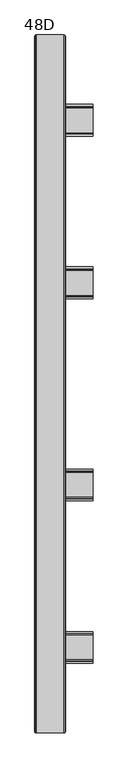
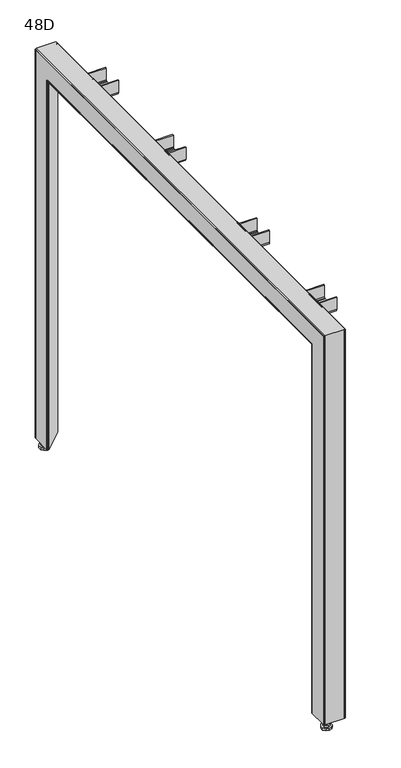
"""IFC4 building model written with IfcOpenShell, lengths in millimetres: furniture geometry, 48D."""

from ifc_helpers import new_model, si_unit, frame, origin, origin_with_axes, place, context, project, spatial, polyline, circle_curve, ellipse_curve, outline, extrude, faceted_brep, source, transform, mapped, element, save
from ifc_brep_helpers import plane_surface, revolved_surface, advanced_brep


def furniture_48d_e2c3fa5f(model_context):
    return source(origin(), model_context, "Body", "SolidModel", [
        faceted_brep([(101.0542779, -147.6850235, 972.2678661), (101.0542779, -147.6850235, 1002.5178365), (101.0542779, -150.6850221, 1002.5178365), (101.0542779, -150.6850221, 972.2678661), (101.0542779, -151.5637112, 970.1464839), (101.0542779, -153.6850206, 969.2678312), (101.0542779, -196.6850122, 969.2678312), (101.0542779, -198.8063217, 970.1464839), (101.0542779, -199.6850108, 972.2678661), (101.0542779, -199.6850108, 1002.5178365), (101.0542779, -202.6850094, 1002.5178365), (101.0542779, -202.6850094, 972.2678661), (101.0542779, -200.9276675, 968.0251745), (101.0542779, -196.6850122, 966.2678689), (101.0542779, -153.6850206, 966.2678689), (101.0542779, -149.4423654, 968.0251745), (2.7542748, -147.6850235, 1010.2678722), (2.7542748, -147.6850235, 972.2678661), (2.7542748, -149.4423654, 968.0251745), (2.7542748, -153.6850206, 966.2678689), (2.7542748, -196.6850122, 966.2678689), (2.7542748, -200.9276675, 968.0251745), (2.7542748, -202.6850094, 972.2678661), (2.7542748, -202.6850094, 1010.2678722), (2.7542748, -199.6850108, 1010.2678722), (2.7542748, -199.6850108, 972.2678661), (2.7542748, -198.8063217, 970.1464839), (2.7542748, -196.6850122, 969.2678312), (2.7542748, -153.6850206, 969.2678312), (2.7542748, -151.5637112, 970.1464839), (2.7542748, -150.6850221, 972.2678661), (2.7542748, -150.6850221, 1010.2678722), (51.5542743, -147.6850235, 1010.2678722), (51.5542743, -147.6850235, 1002.5178365), (51.5542743, -202.6850094, 1002.5178365), (51.5542743, -202.6850094, 1010.2678722), (51.5542743, -199.6850108, 1010.2678722), (51.5542743, -199.6850108, 1002.5178365), (51.5542743, -150.6850221, 1002.5178365), (51.5542743, -150.6850221, 1010.2678722)], [[[0, 1, 2, 3, 4, 5, 6, 7, 8, 9, 10, 11, 12, 13, 14, 15]], [[16, 17, 18, 19, 20, 21, 22, 23, 24, 25, 26, 27, 28, 29, 30, 31]], [[16, 32, 33, 1, 0, 17]], [[15, 18, 17, 0]], [[14, 19, 18, 15]], [[13, 20, 19, 14]], [[12, 21, 20, 13]], [[11, 22, 21, 12]], [[22, 11, 10, 34, 35, 23]], [[23, 35, 36, 24]], [[24, 36, 37, 9, 8, 25]], [[7, 26, 25, 8]], [[6, 27, 26, 7]], [[5, 28, 27, 6]], [[4, 29, 28, 5]], [[3, 30, 29, 4]], [[30, 3, 2, 38, 39, 31]], [[31, 39, 32, 16]], [[34, 10, 9, 37]], [[38, 2, 1, 33]], [[33, 32, 39, 38]], [[37, 36, 35, 34]]]),
        faceted_brep([(101.0542779, -429.00262, 972.2678661), (101.0542779, -429.00262, 1002.5178365), (101.0542779, -432.0026186, 1002.5178365), (101.0542779, -432.0026186, 972.2678661), (101.0542779, -432.8813077, 970.1464839), (101.0542779, -435.0026171, 969.2678312), (101.0542779, -478.0026087, 969.2678312), (101.0542779, -480.1239182, 970.1464839), (101.0542779, -481.0026073, 972.2678661), (101.0542779, -481.0026073, 1002.5178365), (101.0542779, -484.0026059, 1002.5178365), (101.0542779, -484.0026059, 972.2678661), (101.0542779, -482.245264, 968.0251745), (101.0542779, -478.0026087, 966.2678689), (101.0542779, -435.0026171, 966.2678689), (101.0542779, -430.7599619, 968.0251745), (2.7542748, -429.00262, 1010.2678722), (2.7542748, -429.00262, 972.2678661), (2.7542748, -430.7599619, 968.0251745), (2.7542748, -435.0026171, 966.2678689), (2.7542748, -478.0026087, 966.2678689), (2.7542748, -482.245264, 968.0251745), (2.7542748, -484.0026059, 972.2678661), (2.7542748, -484.0026059, 1010.2678722), (2.7542748, -481.0026073, 1010.2678722), (2.7542748, -481.0026073, 972.2678661), (2.7542748, -480.1239182, 970.1464839), (2.7542748, -478.0026087, 969.2678312), (2.7542748, -435.0026171, 969.2678312), (2.7542748, -432.8813077, 970.1464839), (2.7542748, -432.0026186, 972.2678661), (2.7542748, -432.0026186, 1010.2678722), (51.5542743, -429.00262, 1010.2678722), (51.5542743, -429.00262, 1002.5178365), (51.5542743, -484.0026059, 1002.5178365), (51.5542743, -484.0026059, 1010.2678722), (51.5542743, -481.0026073, 1010.2678722), (51.5542743, -481.0026073, 1002.5178365), (51.5542743, -432.0026186, 1002.5178365), (51.5542743, -432.0026186, 1010.2678722)], [[[0, 1, 2, 3, 4, 5, 6, 7, 8, 9, 10, 11, 12, 13, 14, 15]], [[16, 17, 18, 19, 20, 21, 22, 23, 24, 25, 26, 27, 28, 29, 30, 31]], [[16, 32, 33, 1, 0, 17]], [[15, 18, 17, 0]], [[14, 19, 18, 15]], [[13, 20, 19, 14]], [[12, 21, 20, 13]], [[11, 22, 21, 12]], [[22, 11, 10, 34, 35, 23]], [[23, 35, 36, 24]], [[24, 36, 37, 9, 8, 25]], [[7, 26, 25, 8]], [[6, 27, 26, 7]], [[5, 28, 27, 6]], [[4, 29, 28, 5]], [[3, 30, 29, 4]], [[30, 3, 2, 38, 39, 31]], [[31, 39, 32, 16]], [[34, 10, 9, 37]], [[38, 2, 1, 33]], [[33, 32, 39, 38]], [[37, 36, 35, 34]]]),
        faceted_brep([(101.0542779, 147.4950235, 972.2678661), (101.0542779, 149.2523654, 968.0251745), (101.0542779, 153.4950206, 966.2678689), (101.0542779, 196.4950122, 966.2678689), (101.0542779, 200.7376675, 968.0251745), (101.0542779, 202.4950094, 972.2678661), (101.0542779, 202.4950094, 1002.5178365), (101.0542779, 199.4950108, 1002.5178365), (101.0542779, 199.4950108, 972.2678661), (101.0542779, 198.6163217, 970.1464839), (101.0542779, 196.4950122, 969.2678312), (101.0542779, 153.4950206, 969.2678312), (101.0542779, 151.3737112, 970.1464839), (101.0542779, 150.4950221, 972.2678661), (101.0542779, 150.4950221, 1002.5178365), (101.0542779, 147.4950235, 1002.5178365), (2.7542748, 147.4950235, 1010.2678722), (2.7542748, 150.4950221, 1010.2678722), (2.7542748, 150.4950221, 972.2678661), (2.7542748, 151.3737112, 970.1464839), (2.7542748, 153.4950206, 969.2678312), (2.7542748, 196.4950122, 969.2678312), (2.7542748, 198.6163217, 970.1464839), (2.7542748, 199.4950108, 972.2678661), (2.7542748, 199.4950108, 1010.2678722), (2.7542748, 202.4950094, 1010.2678722), (2.7542748, 202.4950094, 972.2678661), (2.7542748, 200.7376675, 968.0251745), (2.7542748, 196.4950122, 966.2678689), (2.7542748, 153.4950206, 966.2678689), (2.7542748, 149.2523654, 968.0251745), (2.7542748, 147.4950235, 972.2678661), (51.5542743, 147.4950235, 1002.5178365), (51.5542743, 147.4950235, 1010.2678722), (51.5542743, 202.4950094, 1010.2678722), (51.5542743, 202.4950094, 1002.5178365), (51.5542743, 199.4950108, 1010.2678722), (51.5542743, 199.4950108, 1002.5178365), (51.5542743, 150.4950221, 1010.2678722), (51.5542743, 150.4950221, 1002.5178365)], [[[0, 1, 2, 3, 4, 5, 6, 7, 8, 9, 10, 11, 12, 13, 14, 15]], [[16, 17, 18, 19, 20, 21, 22, 23, 24, 25, 26, 27, 28, 29, 30, 31]], [[16, 31, 0, 15, 32, 33]], [[1, 0, 31, 30]], [[2, 1, 30, 29]], [[3, 2, 29, 28]], [[4, 3, 28, 27]], [[5, 4, 27, 26]], [[26, 25, 34, 35, 6, 5]], [[25, 24, 36, 34]], [[24, 23, 8, 7, 37, 36]], [[9, 8, 23, 22]], [[10, 9, 22, 21]], [[11, 10, 21, 20]], [[12, 11, 20, 19]], [[13, 12, 19, 18]], [[18, 17, 38, 39, 14, 13]], [[17, 16, 33, 38]], [[35, 37, 7, 6]], [[39, 32, 15, 14]], [[37, 35, 34, 36]], [[32, 39, 38, 33]]]),
        faceted_brep([(101.0542779, 429.0250913, 972.2678661), (101.0542779, 430.7824332, 968.0251745), (101.0542779, 435.0250885, 966.2678689), (101.0542779, 478.0250801, 966.2678689), (101.0542779, 482.2677353, 968.0251745), (101.0542779, 484.0250772, 972.2678661), (101.0542779, 484.0250772, 1002.5178365), (101.0542779, 481.0250786, 1002.5178365), (101.0542779, 481.0250786, 972.2678661), (101.0542779, 480.1463895, 970.1464839), (101.0542779, 478.0250801, 969.2678312), (101.0542779, 435.0250885, 969.2678312), (101.0542779, 432.903779, 970.1464839), (101.0542779, 432.0250899, 972.2678661), (101.0542779, 432.0250899, 1002.5178365), (101.0542779, 429.0250913, 1002.5178365), (2.7542748, 429.0250913, 1010.2678722), (2.7542748, 432.0250899, 1010.2678722), (2.7542748, 432.0250899, 972.2678661), (2.7542748, 432.903779, 970.1464839), (2.7542748, 435.0250885, 969.2678312), (2.7542748, 478.0250801, 969.2678312), (2.7542748, 480.1463895, 970.1464839), (2.7542748, 481.0250786, 972.2678661), (2.7542748, 481.0250786, 1010.2678722), (2.7542748, 484.0250772, 1010.2678722), (2.7542748, 484.0250772, 972.2678661), (2.7542748, 482.2677353, 968.0251745), (2.7542748, 478.0250801, 966.2678689), (2.7542748, 435.0250885, 966.2678689), (2.7542748, 430.7824332, 968.0251745), (2.7542748, 429.0250913, 972.2678661), (51.5542743, 429.0250913, 1002.5178365), (51.5542743, 429.0250913, 1010.2678722), (51.5542743, 484.0250772, 1010.2678722), (51.5542743, 484.0250772, 1002.5178365), (51.5542743, 481.0250786, 1010.2678722), (51.5542743, 481.0250786, 1002.5178365), (51.5542743, 432.0250899, 1010.2678722), (51.5542743, 432.0250899, 1002.5178365)], [[[0, 1, 2, 3, 4, 5, 6, 7, 8, 9, 10, 11, 12, 13, 14, 15]], [[16, 17, 18, 19, 20, 21, 22, 23, 24, 25, 26, 27, 28, 29, 30, 31]], [[16, 31, 0, 15, 32, 33]], [[1, 0, 31, 30]], [[2, 1, 30, 29]], [[3, 2, 29, 28]], [[4, 3, 28, 27]], [[5, 4, 27, 26]], [[26, 25, 34, 35, 6, 5]], [[25, 24, 36, 34]], [[24, 23, 8, 7, 37, 36]], [[9, 8, 23, 22]], [[10, 9, 22, 21]], [[11, 10, 21, 20]], [[12, 11, 20, 19]], [[13, 12, 19, 18]], [[18, 17, 38, 39, 14, 13]], [[17, 16, 33, 38]], [[35, 37, 7, 6]], [[39, 32, 15, 14]], [[37, 35, 34, 36]], [[32, 39, 38, 33]]]),
        extrude(outline(polyline([(14.8468925, -593.8721484), (11.4098541, -591.8877764), (11.4098541, -587.9190234), (14.8468925, -585.9346514), (18.2839309, -587.9190234), (18.2839309, -591.8877764), (14.8468925, -593.8721484)])), frame((0.0, 0.0, 10.9000001), z_axis=(0.0, 0.0, 1.0), x_axis=(1.0, 0.0, 0.0)), (0.0, 0.0, 1.0), 62.0000015),
        extrude(outline(polyline([(14.8468925, -597.8433994), (7.9706509, -593.8733974), (7.9706509, -585.9333979), (14.8468925, -581.9634004), (21.723134, -585.9333979), (21.723134, -593.8733974), (14.8468925, -597.8433994)])), frame((0.0, 0.0, 5.7200003), z_axis=(0.0, 0.0, 1.0), x_axis=(1.0, 0.0, 0.0)), (0.0, 0.0, 1.0), 5.1799998),
        extrude(outline(polyline([(7.6072397, -599.8679261), (3.1328886, -593.7095084), (3.1328886, -586.0972868), (7.6072397, -579.9388737), (14.8468925, -577.586569), (22.0865453, -579.9388737), (26.5608963, -586.0972868), (26.5608963, -593.7095084), (22.0865453, -599.8679261), (14.8468925, -602.220233), (7.6072397, -599.8679261)])), origin_with_axes(), (0.0, 0.0, 1.0), 5.7200003),
        extrude(outline(polyline([(14.8468925, 593.6821484), (18.2839309, 591.6977764), (18.2839309, 587.7290234), (14.8468925, 585.7446514), (11.4098541, 587.7290234), (11.4098541, 591.6977764), (14.8468925, 593.6821484)])), frame((0.0, 0.0, 10.9000001), z_axis=(0.0, 0.0, 1.0), x_axis=(1.0, 0.0, 0.0)), (0.0, 0.0, 1.0), 62.0000015),
        extrude(outline(polyline([(14.8468925, 597.6533994), (21.723134, 593.6833974), (21.723134, 585.7433979), (14.8468925, 581.7734004), (7.9706509, 585.7433979), (7.9706509, 593.6833974), (14.8468925, 597.6533994)])), frame((0.0, 0.0, 5.7200003), z_axis=(0.0, 0.0, 1.0), x_axis=(1.0, 0.0, 0.0)), (0.0, 0.0, 1.0), 5.1799998),
        extrude(outline(polyline([(7.6072397, 599.6779261), (14.8468925, 602.030233), (22.0865453, 599.6779261), (26.5608963, 593.5195084), (26.5608963, 585.9072868), (22.0865453, 579.7488737), (14.8468925, 577.396569), (7.6072397, 579.7488737), (3.1328886, 585.9072868), (3.1328886, 593.5195084), (7.6072397, 599.6779261)])), origin_with_axes(), (0.0, 0.0, 1.0), 5.7200003),
        advanced_brep(
        [(52.2091904, 599.8158337, 20.2920801), (4.6091883, 552.2158321, 20.2920801), (2.7, 551.425001, 20.2920801), (0.7908116, 552.2158321, 20.2920801), (0.0, 554.1250179, 20.2920801), (0.0, 601.7250195, 20.2920801), (0.7908116, 603.6342052, 20.2920801), (2.7, 604.425, 20.2920801), (50.3000001, 604.425, 20.2920801), (52.2091904, 603.6342052, 20.2920801), (52.9999988, 601.7250195, 20.2920801), (3.7071069, 554.1321033, 20.2920801), (50.2928863, 600.7179167, 20.2920801), (49.5857835, 602.4250131, 20.2920801), (3.0000115, 602.4250131, 20.2920801), (1.9999999, 601.4250014, 20.2920801), (1.9999999, 554.8392098, 20.2920801), (52.2091904, 599.8158337, 1007.6586564), (4.6091883, 552.2158321, 960.0586549), (2.7, 551.425001, 959.2678238), (0.7908116, 552.2158321, 960.0586549), (0.0, 554.1250179, 961.9678407), (0.0, -554.3150179, 961.9678407), (0.0, -554.3150179, 20.2920801), (0.0, -601.9150195, 20.2920801), (0.0, -601.9150195, 1009.5678422), (0.0, 601.7250195, 1009.5678422), (0.7908116, 603.6342052, 1011.477028), (2.7, 604.425, 1012.2678228), (50.3000001, 604.425, 1012.2678228), (52.2091904, 603.6342052, 1011.477028), (52.9999988, 601.7250195, 1009.5678422), (3.7071069, 554.1321033, 961.974926), (50.2928863, 600.7179167, 1008.5607395), (49.5857835, 602.4250131, 1010.2678358), (3.0000115, 602.4250131, 1010.2678358), (1.9999999, 601.4250014, 1009.2678242), (1.9999999, -601.6150014, 1009.2678242), (1.9999999, -601.6150014, 20.2920801), (1.9999999, -555.0292098, 20.2920801), (1.9999999, -555.0292098, 962.6820325), (1.9999999, 554.8392098, 962.6820325), (52.2091904, -600.0058337, 1007.6586564), (4.6091883, -552.4058321, 960.0586549), (2.7, -551.615001, 959.2678238), (0.7908116, -552.4058321, 960.0586549), (0.7908116, -603.8242052, 1011.477028), (2.7, -604.615, 1012.2678228), (50.3000001, -604.615, 1012.2678228), (52.2091904, -603.8242052, 1011.477028), (52.9999988, -601.9150195, 1009.5678422), (3.7071069, -554.3221033, 961.974926), (50.2928863, -600.9079167, 1008.5607395), (49.5857835, -602.6150131, 1010.2678358), (3.0000115, -602.6150131, 1010.2678358), (52.2091904, -600.0058337, 20.2920801), (52.9999988, -601.9150195, 20.2920801), (52.2091904, -603.8242052, 20.2920801), (50.3000001, -604.615, 20.2920801), (2.7, -604.615, 20.2920801), (0.7908116, -603.8242052, 20.2920801), (0.7908116, -552.4058321, 20.2920801), (2.7, -551.615001, 20.2920801), (4.6091883, -552.4058321, 20.2920801), (3.7071069, -554.3221033, 20.2920801), (3.0000115, -602.6150131, 20.2920801), (49.5857835, -602.6150131, 20.2920801), (50.2928863, -600.9079167, 20.2920801)],
        [
            (0, 1),
            (1, 2),
            (2, 3),
            (3, 4),
            (4, 5),
            (5, 6),
            (6, 7),
            (7, 8),
            (8, 9),
            (9, 10),
            (10, 0),
            (11, 12),
            (12, 13, circle_curve(frame((49.5857835, 601.425019, 20.2920801), z_axis=(0.0, 0.0, 1.0), x_axis=(0.0, -1.0, 0.0)), 0.999994)),
            (13, 14),
            (14, 15, circle_curve(frame((3.0000115, 601.4250014, 20.2920801), z_axis=(0.0, 0.0, 1.0), x_axis=(0.0, -1.0, 0.0)), 1.0000116)),
            (15, 16),
            (16, 11, circle_curve(frame((2.9999998, 554.8392098, 20.2920801), z_axis=(0.0, 0.0, 1.0), x_axis=(0.0, -1.0, 0.0)), 1.0)),
            (0, 17),
            (17, 18),
            (18, 1),
            (18, 19),
            (19, 2),
            (19, 20),
            (20, 3),
            (20, 21),
            (21, 4),
            (21, 22),
            (22, 23),
            (23, 24),
            (24, 25),
            (25, 26),
            (26, 5),
            (26, 27),
            (27, 6),
            (27, 28),
            (28, 7),
            (28, 29),
            (29, 8),
            (29, 30),
            (30, 9),
            (30, 31),
            (31, 10),
            (31, 17),
            (11, 32),
            (32, 33),
            (33, 12),
            (33, 34, ellipse_curve(frame((49.5857835, 601.425019, 1009.2678418), z_axis=(0.0, -0.7071067811865475, 0.7071067811865475), x_axis=(0.0, 0.7071067811865474, 0.7071067811865476)), 1.4142051, 0.999994)),
            (34, 13),
            (34, 35),
            (35, 14),
            (35, 36, ellipse_curve(frame((3.0000115, 601.4250014, 1009.2678242), z_axis=(0.0, -0.7071067811865475, 0.7071067811865475), x_axis=(0.0, 0.7071067811865474, 0.7071067811865476)), 1.41423, 1.0000116)),
            (36, 15),
            (36, 37),
            (37, 38),
            (38, 39),
            (39, 40),
            (40, 41),
            (41, 16),
            (41, 32, ellipse_curve(frame((2.9999998, 554.8392098, 962.6820325), z_axis=(0.0, -0.7071067811865475, 0.7071067811865475), x_axis=(0.0, 0.7071067811865474, 0.7071067811865476)), 1.4142136, 1.0)),
            (17, 42),
            (42, 43),
            (43, 18),
            (43, 44),
            (44, 19),
            (44, 45),
            (45, 20),
            (45, 22),
            (25, 46),
            (46, 27),
            (46, 47),
            (47, 28),
            (47, 48),
            (48, 29),
            (48, 49),
            (49, 30),
            (49, 50),
            (50, 31),
            (50, 42),
            (32, 51),
            (51, 52),
            (52, 33),
            (52, 53, ellipse_curve(frame((49.5857835, -601.615019, 1009.2678418), z_axis=(0.0, -0.7071067811865475, -0.7071067811865475), x_axis=(0.0, -0.7071067811865476, 0.7071067811865474)), 1.4142051, 0.999994)),
            (53, 34),
            (53, 54),
            (54, 35),
            (54, 37, ellipse_curve(frame((3.0000115, -601.6150014, 1009.2678242), z_axis=(0.0, -0.7071067811865475, -0.7071067811865475), x_axis=(0.0, -0.7071067811865476, 0.7071067811865474)), 1.41423, 1.0000116)),
            (40, 51, ellipse_curve(frame((2.9999998, -555.0292098, 962.6820325), z_axis=(0.0, -0.7071067811865475, -0.7071067811865475), x_axis=(0.0, -0.7071067811865476, 0.7071067811865474)), 1.4142136, 1.0)),
            (55, 56),
            (56, 57),
            (57, 58),
            (58, 59),
            (59, 60),
            (60, 24),
            (23, 61),
            (61, 62),
            (62, 63),
            (63, 55),
            (64, 39, circle_curve(frame((2.9999998, -555.0292098, 20.2920801), z_axis=(0.0, 0.0, 1.0), x_axis=(0.0, 1.0, 0.0)), 1.0)),
            (38, 65, circle_curve(frame((3.0000115, -601.6150014, 20.2920801), z_axis=(0.0, 0.0, 1.0), x_axis=(0.0, 1.0, 0.0)), 1.0000116)),
            (65, 66),
            (66, 67, circle_curve(frame((49.5857835, -601.615019, 20.2920801), z_axis=(0.0, 0.0, 1.0), x_axis=(0.0, 1.0, 0.0)), 0.999994)),
            (67, 64),
            (42, 55),
            (63, 43),
            (62, 44),
            (61, 45),
            (60, 46),
            (59, 47),
            (58, 48),
            (57, 49),
            (56, 50),
            (51, 64),
            (67, 52),
            (66, 53),
            (65, 54),
        ],
        [
            plane_surface(frame((0.0, 604.425, 20.2920801), z_axis=(0.0, 0.0, -1.0), x_axis=(1.0, 0.0, 0.0))),
            plane_surface(frame((52.2091904, 599.8158337, 20.2920801), z_axis=(0.7071067769696533, -0.7071067854034419, 0.0), x_axis=(0.0, 0.0, 1.0))),
            plane_surface(frame((4.6091883, 552.2158321, 20.2920801), z_axis=(0.38269143839512826, -0.9238762162644234, 0.0), x_axis=(0.0, 0.0, 1.0))),
            plane_surface(frame((2.7, 551.425001, 20.2920801), z_axis=(-0.38269143839463615, -0.9238762162646273, 0.0), x_axis=(0.0, 0.0, 1.0))),
            plane_surface(frame((0.7908116, 552.2158321, 20.2920801), z_axis=(-0.9238793620393418, -0.38268384392051213, 0.0), x_axis=(0.0, 0.0, 1.0))),
            plane_surface(frame((0.0, 554.1250179, 20.2920801), z_axis=(-1.0, 0.0, 0.0), x_axis=(0.0, 0.0, 1.0))),
            plane_surface(frame((0.0, 601.7250195, 20.2920801), z_axis=(-0.9238793620393525, 0.3826838439204862, 0.0), x_axis=(0.0, 0.0, 1.0))),
            plane_surface(frame((0.7908116, 603.6342052, 20.2920801), z_axis=(-0.38267643042189775, 0.9238824327800342, 0.0), x_axis=(0.0, 0.0, 1.0))),
            plane_surface(frame((2.7, 604.425, 20.2920801), z_axis=(0.0, 1.0, 0.0), x_axis=(0.0, 0.0, 1.0))),
            plane_surface(frame((50.3000001, 604.425, 20.2920801), z_axis=(0.38267609046086565, 0.9238825735934126, 0.0), x_axis=(0.0, 0.0, 1.0))),
            plane_surface(frame((52.2091904, 603.6342052, 20.2920801), z_axis=(0.9238799205543341, 0.3826824955449586, 0.0), x_axis=(0.0, 0.0, 1.0))),
            plane_surface(frame((52.9999988, 601.7250195, 20.2920801), z_axis=(0.9238799205543387, -0.38268249554494776, 0.0), x_axis=(0.0, 0.0, 1.0))),
            plane_surface(frame((3.7071069, 554.1321033, 20.2920801), z_axis=(-0.7071070397086551, 0.7071065226643456, 0.0), x_axis=(0.0, 0.0, 1.0))),
            revolved_surface(polyline([(49.5857835, 600.425025, 1010.2678358161986), (49.5857835, 600.425025, 20.2920801)]), (49.5857835, 601.425019, 20.2920801), (0.0, 0.0, 1.0)),
            plane_surface(frame((49.5857835, 602.4250131, 20.2920801), z_axis=(0.0, -1.0, 0.0), x_axis=(0.0, 0.0, 1.0))),
            revolved_surface(polyline([(3.0000115, 600.4249898, 1010.2678358231574), (3.0000115, 600.4249898, 20.2920801)]), (3.0000115, 601.4250014, 20.2920801), (0.0, 0.0, 1.0)),
            plane_surface(frame((1.9999999, 601.4250014, 20.2920801), z_axis=(1.0, 0.0, 0.0), x_axis=(0.0, 0.0, 1.0))),
            revolved_surface(polyline([(2.9999998, 553.8392098, 963.6820325266062), (2.9999998, 553.8392098, 20.2920801)]), (2.9999998, 554.8392098, 20.2920801), (0.0, 0.0, 1.0)),
            plane_surface(frame((52.2091904, 599.8158337, 1007.6586564), z_axis=(0.7071067769696461, 0.0, -0.7071067854034491), x_axis=(0.0, -1.0, 0.0))),
            plane_surface(frame((4.6091883, 552.2158321, 960.0586549), z_axis=(0.3826914383951188, 0.0, -0.9238762162644274), x_axis=(0.0, -1.0, 0.0))),
            plane_surface(frame((2.7, 551.425001, 959.2678238), z_axis=(-0.38269143839464564, 0.0, -0.9238762162646235), x_axis=(0.0, -1.0, 0.0))),
            plane_surface(frame((0.7908116, 552.2158321, 960.0586549), z_axis=(-0.9238793620393457, 0.0, -0.38268384392050264), x_axis=(0.0, -1.0, 0.0))),
            plane_surface(frame((0.0, 601.7250195, 1009.5678422), z_axis=(-0.9238793620393486, 0.0, 0.3826838439204957), x_axis=(0.0, -1.0, 0.0))),
            plane_surface(frame((0.7908116, 603.6342052, 1011.477028), z_axis=(-0.38267643042188826, 0.0, 0.9238824327800381), x_axis=(0.0, -1.0, 0.0))),
            plane_surface(frame((2.7, 604.425, 1012.2678228), z_axis=(0.0, 0.0, 1.0), x_axis=(0.0, -1.0, 0.0))),
            plane_surface(frame((50.3000001, 604.425, 1012.2678228), z_axis=(0.38267609046087514, 0.0, 0.9238825735934088), x_axis=(0.0, -1.0, 0.0))),
            plane_surface(frame((52.2091904, 603.6342052, 1011.477028), z_axis=(0.9238799205543381, 0.0, 0.38268249554494915), x_axis=(0.0, -1.0, 0.0))),
            plane_surface(frame((52.9999988, 601.7250195, 1009.5678422), z_axis=(0.9238799205543348, 0.0, -0.38268249554495726), x_axis=(0.0, -1.0, 0.0))),
            plane_surface(frame((3.7071069, 554.1321033, 961.974926), z_axis=(-0.7071070397086479, 0.0, 0.7071065226643528), x_axis=(0.0, -1.0, 0.0))),
            revolved_surface(polyline([(49.5857835, -602.6150131000002, 1008.2678478), (49.5857835, 602.4250131, 1008.2678478)]), (49.5857835, 604.425, 1009.2678418), (0.0, -1.0, 0.0)),
            plane_surface(frame((49.5857835, 602.4250131, 1010.2678358), z_axis=(0.0, 0.0, -1.0), x_axis=(0.0, -1.0, 0.0))),
            revolved_surface(polyline([(3.0000115, -602.6150131000002, 1008.2678126), (3.0000115, 602.4250131, 1008.2678126)]), (3.0000115, 604.425, 1009.2678242), (0.0, -1.0, 0.0)),
            revolved_surface(polyline([(2.9999998, -556.0292098266061, 961.6820325), (2.9999998, 555.8392098266063, 961.6820325)]), (2.9999998, 604.425, 962.6820325), (0.0, -1.0, 0.0)),
            plane_surface(frame((0.0, -604.615, 20.2920801), z_axis=(0.0, 0.0, -1.0), x_axis=(1.0, 0.0, 0.0))),
            plane_surface(frame((52.2091904, -600.0058337, 1007.6586564), z_axis=(0.7071067769696533, 0.7071067854034419, 0.0), x_axis=(0.0, 0.0, -1.0))),
            plane_surface(frame((4.6091883, -552.4058321, 960.0586549), z_axis=(0.3826914383951283, 0.9238762162644235, 0.0), x_axis=(0.0, 0.0, -1.0))),
            plane_surface(frame((2.7, -551.615001, 959.2678238), z_axis=(-0.38269143839463615, 0.9238762162646273, 0.0), x_axis=(0.0, 0.0, -1.0))),
            plane_surface(frame((0.7908116, -552.4058321, 960.0586549), z_axis=(-0.9238793620393418, 0.38268384392051213, 0.0), x_axis=(0.0, 0.0, -1.0))),
            plane_surface(frame((0.0, -601.9150195, 1009.5678422), z_axis=(-0.9238793620393525, -0.3826838439204862, 0.0), x_axis=(0.0, 0.0, -1.0))),
            plane_surface(frame((0.7908116, -603.8242052, 1011.477028), z_axis=(-0.38267643042189775, -0.9238824327800342, 0.0), x_axis=(0.0, 0.0, -1.0))),
            plane_surface(frame((2.7, -604.615, 1012.2678228), z_axis=(0.0, -1.0, 0.0), x_axis=(0.0, 0.0, -1.0))),
            plane_surface(frame((50.3000001, -604.615, 1012.2678228), z_axis=(0.38267609046086565, -0.9238825735934126, 0.0), x_axis=(0.0, 0.0, -1.0))),
            plane_surface(frame((52.2091904, -603.8242052, 1011.477028), z_axis=(0.9238799205543342, -0.38268249554495865, 0.0), x_axis=(0.0, 0.0, -1.0))),
            plane_surface(frame((52.9999988, -601.9150195, 1009.5678422), z_axis=(0.9238799205543387, 0.38268249554494776, 0.0), x_axis=(0.0, 0.0, -1.0))),
            plane_surface(frame((3.7071069, -554.3221033, 961.974926), z_axis=(-0.7071070397086551, -0.7071065226643456, 0.0), x_axis=(0.0, 0.0, -1.0))),
            revolved_surface(polyline([(49.5857835, -600.615025, 20.29208010000002), (49.5857835, -600.615025, 1010.2678358161986)]), (49.5857835, -601.615019, 1012.2678228), (0.0, 0.0, -1.0)),
            plane_surface(frame((49.5857835, -602.6150131, 1010.2678358), z_axis=(0.0, 1.0, 0.0), x_axis=(0.0, 0.0, -1.0))),
            revolved_surface(polyline([(3.0000115, -600.6149898, 20.29208010000002), (3.0000115, -600.6149898, 1010.2678358231574)]), (3.0000115, -601.6150014, 1012.2678228), (0.0, 0.0, -1.0)),
            revolved_surface(polyline([(2.9999998, -554.0292098, 20.29208010000002), (2.9999998, -554.0292098, 963.6820325266062)]), (2.9999998, -555.0292098, 1012.2678228), (0.0, 0.0, -1.0)),
        ],
        [
            (0, [[1, 2, 3, 4, 5, 6, 7, 8, 9, 10, 11], [12, 13, 14, 15, 16, 17]]),
            (1, [[-1, 18, 19, 20]]),
            (2, [[-2, -20, 21, 22]]),
            (3, [[-3, -22, 23, 24]]),
            (4, [[-4, -24, 25, 26]]),
            (5, [[-5, -26, 27, 28, 29, 30, 31, 32]]),
            (6, [[-6, -32, 33, 34]]),
            (7, [[-7, -34, 35, 36]]),
            (8, [[-8, -36, 37, 38]]),
            (9, [[-9, -38, 39, 40]]),
            (10, [[-10, -40, 41, 42]]),
            (11, [[-11, -42, 43, -18]]),
            (12, [[-12, 44, 45, 46]]),
            (13, [[-13, -46, 47, 48]]),
            (14, [[-14, -48, 49, 50]]),
            (15, [[-15, -50, 51, 52]]),
            (16, [[-16, -52, 53, 54, 55, 56, 57, 58]]),
            (17, [[-17, -58, 59, -44]]),
            (18, [[-19, 60, 61, 62]]),
            (19, [[-21, -62, 63, 64]]),
            (20, [[-23, -64, 65, 66]]),
            (21, [[-25, -66, 67, -27]]),
            (22, [[-33, -31, 68, 69]]),
            (23, [[-35, -69, 70, 71]]),
            (24, [[-37, -71, 72, 73]]),
            (25, [[-39, -73, 74, 75]]),
            (26, [[-41, -75, 76, 77]]),
            (27, [[-43, -77, 78, -60]]),
            (28, [[-45, 79, 80, 81]]),
            (29, [[-47, -81, 82, 83]]),
            (30, [[-49, -83, 84, 85]]),
            (31, [[-51, -85, 86, -53]]),
            (32, [[-59, -57, 87, -79]]),
            (33, [[88, 89, 90, 91, 92, 93, -29, 94, 95, 96, 97], [98, -55, 99, 100, 101, 102]]),
            (34, [[-61, 103, -97, 104]]),
            (35, [[-63, -104, -96, 105]]),
            (36, [[-65, -105, -95, 106]]),
            (37, [[-67, -106, -94, -28]]),
            (38, [[-68, -30, -93, 107]]),
            (39, [[-70, -107, -92, 108]]),
            (40, [[-72, -108, -91, 109]]),
            (41, [[-74, -109, -90, 110]]),
            (42, [[-76, -110, -89, 111]]),
            (43, [[-78, -111, -88, -103]]),
            (44, [[-80, 112, -102, 113]]),
            (45, [[-82, -113, -101, 114]]),
            (46, [[-84, -114, -100, 115]]),
            (47, [[-86, -115, -99, -54]]),
            (48, [[-87, -56, -98, -112]]),
        ],
    ),
    ])


if __name__ == "__main__":
    model = new_model("IFC4")
    model_context = context("Model", 3, world=origin())
    ifc_project = project(units=[si_unit("LENGTHUNIT", "METRE", prefix="MILLI")], contexts=[model_context])
    site = spatial("IfcSite", under=ifc_project)
    building = spatial("IfcBuilding", under=site)
    placement = place(None, origin())
    furniture_48d_shape = furniture_48d_e2c3fa5f(model_context)
    element("IfcFurniture", 1, ObjectType="48D", at=placement, inside=building, context=model_context, shape_type="MappedRepresentation", body=[
        mapped(furniture_48d_shape, transform((0.0, 0.0, 0.0), x_axis=(1.0, 0.0, 0.0), y_axis=(0.0, 1.0, 0.0), z_axis=(0.0, 0.0, 1.0))),
    ])
    save(model, "model.ifc")
